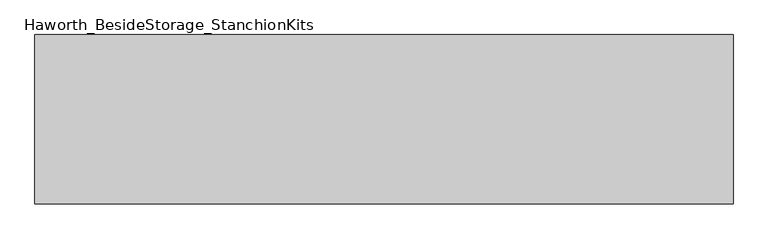
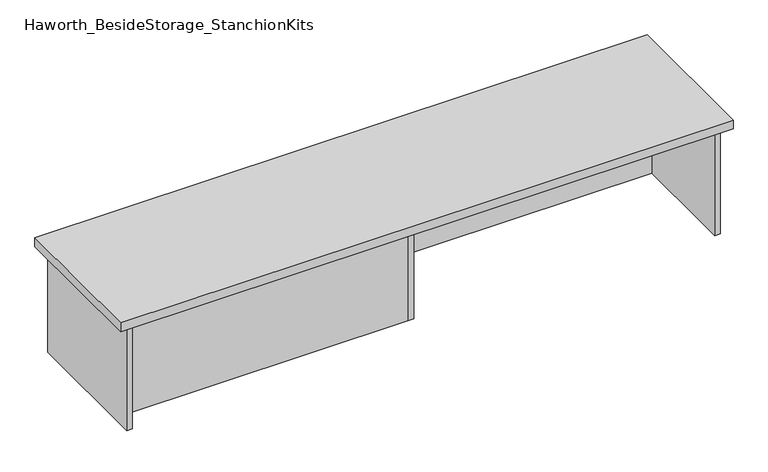
"""IFC4 building model written with IfcOpenShell, lengths in millimetres: furniture geometry, Haworth_BesideStorage_StanchionKits."""

from ifc_helpers import new_model, si_unit, frame, origin, place, context, project, spatial, polyline, outline, extrude, source, transform, mapped, element, save


def haworth_besidestorage_stanchionkits_d7c3ca5e(model_context):
    return source(origin(), model_context, "Body", "SweptSolid", [
        extrude(outline(polyline([(1000.125, 0.0), (1000.125, -406.4), (-676.275, -406.4), (-676.275, 0.0), (1000.125, 0.0)])), frame((0.0, 0.0, 736.6), z_axis=(0.0, 0.0, 1.0), x_axis=(1.0, 0.0, 0.0)), (0.0, 0.0, 1.0), 25.4),
        extrude(outline(polyline([(169.8625, -76.2), (958.85, -76.2), (958.85, -92.075), (169.8625, -92.075), (169.8625, -76.2)])), frame((0.0, 0.0, 431.8), z_axis=(0.0, 0.0, 1.0), x_axis=(1.0, 0.0, 0.0)), (0.0, 0.0, 1.0), 304.8),
        extrude(outline(polyline([(153.9875, -314.325), (153.9875, -330.2), (-635.0, -330.2), (-635.0, -314.325), (153.9875, -314.325)])), frame((0.0, 0.0, 431.8), z_axis=(0.0, 0.0, 1.0), x_axis=(1.0, 0.0, 0.0)), (0.0, 0.0, 1.0), 304.8),
        extrude(outline(polyline([(169.8625, -330.2), (153.9875, -330.2), (153.9875, -76.2), (169.8625, -76.2), (169.8625, -330.2)])), frame((0.0, 0.0, 431.8), z_axis=(0.0, 0.0, 1.0), x_axis=(1.0, 0.0, 0.0)), (0.0, 0.0, 1.0), 304.8),
        extrude(outline(polyline([(974.725, -390.525), (958.85, -390.525), (958.85, -15.875), (974.725, -15.875), (974.725, -390.525)])), frame((0.0, 0.0, 431.8), z_axis=(0.0, 0.0, 1.0), x_axis=(1.0, 0.0, 0.0)), (0.0, 0.0, 1.0), 304.8),
        extrude(outline(polyline([(-635.0, -390.525), (-650.875, -390.525), (-650.875, -15.875), (-635.0, -15.875), (-635.0, -390.525)])), frame((0.0, 0.0, 431.8), z_axis=(0.0, 0.0, 1.0), x_axis=(1.0, 0.0, 0.0)), (0.0, 0.0, 1.0), 304.8),
    ])


if __name__ == "__main__":
    model = new_model("IFC4")
    model_context = context("Model", 3, world=origin())
    ifc_project = project(units=[si_unit("LENGTHUNIT", "METRE", prefix="MILLI")], contexts=[model_context])
    site = spatial("IfcSite", under=ifc_project)
    building = spatial("IfcBuilding", under=site)
    placement = place(None, origin())
    haworth_besidestorage_stanchionkits_shape = haworth_besidestorage_stanchionkits_d7c3ca5e(model_context)
    element("IfcFurniture", 1, ObjectType="Haworth_BesideStorage_StanchionKits", at=placement, inside=building, context=model_context, shape_type="MappedRepresentation", body=[
        mapped(haworth_besidestorage_stanchionkits_shape, transform((0.0, 0.0, 0.0), x_axis=(1.0, 0.0, 0.0), y_axis=(0.0, 1.0, 0.0), z_axis=(0.0, 0.0, 1.0))),
    ])
    save(model, "model.ifc")
